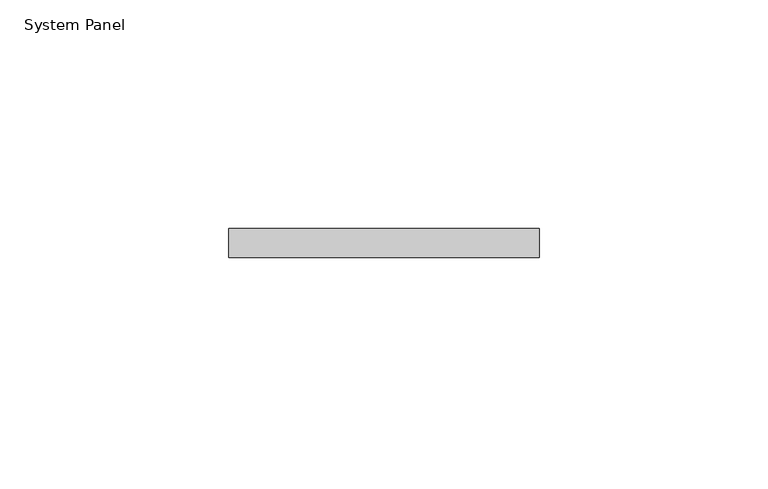
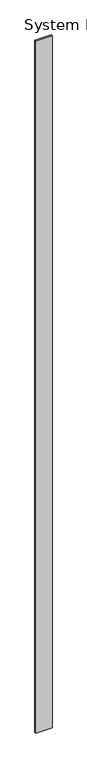
"""IFC4 building model written with IfcOpenShell, lengths in millimetres: plate geometry, System Panel."""

from ifc_helpers import new_model, si_unit, origin, origin_with_axes, place, context, project, spatial, polyline, outline, extrude, source, transform, mapped, element, save


def system_panel_bf9b16c3(model_context):
    return source(origin(), model_context, "Body", "SweptSolid", [
        extrude(outline(polyline([(33.9156643, -6.35), (-33.9156643, -6.35), (-33.9156643, 0.0), (33.9156643, 0.0), (33.9156643, -6.35)])), origin_with_axes(), (0.0, 0.0, 1.0), 3048.0),
    ])


if __name__ == "__main__":
    model = new_model("IFC4")
    model_context = context("Model", 3, world=origin())
    ifc_project = project(units=[si_unit("LENGTHUNIT", "METRE", prefix="MILLI")], contexts=[model_context])
    site = spatial("IfcSite", under=ifc_project)
    building = spatial("IfcBuilding", under=site)
    placement = place(None, origin())
    system_panel_shape = system_panel_bf9b16c3(model_context)
    element("IfcPlate", 1, ObjectType="System Panel", at=placement, inside=building, context=model_context, shape_type="MappedRepresentation", body=[
        mapped(system_panel_shape, transform((0.0, 0.0, 0.0), x_axis=(1.0, 0.0, 0.0), y_axis=(0.0, 1.0, 0.0), z_axis=(0.0, 0.0, 1.0))),
    ])
    save(model, "model.ifc")
